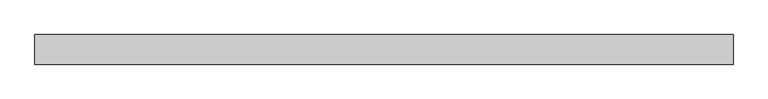
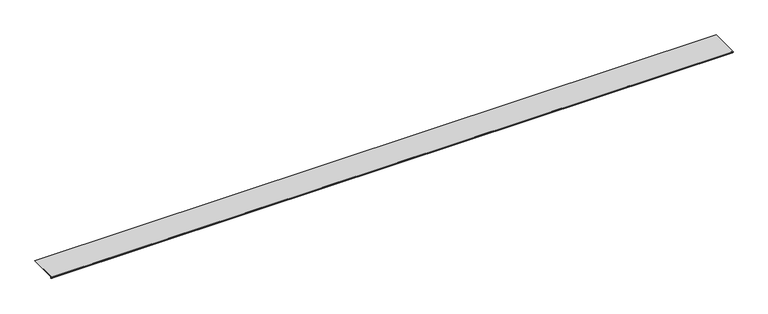
"""IFC4 building model written with IfcOpenShell, lengths in millimetres: proxy geometry."""

from ifc_helpers import new_model, si_unit, point, frame, frame_2d, origin, place, context, project, spatial, polyline, circle_curve, trimmed, segment, composite_curve, outline, extrude, source, transform, mapped, element, save


def generic_models_9c02dd92(model_context):
    return source(origin(), model_context, "Body", "SweptSolid", [
        extrude(outline(composite_curve([segment(polyline([(148.835, 13.2537076), (148.835, 11.6837076), (2.2248214, 11.6837076)]), True, "CONTINUOUS"), segment(trimmed(circle_curve(frame_2d((2.2248214, 11.0887076)), 0.595), [point((2.2248214, 11.6837076))], [point((2.2248214, 10.4937076))], True, "CARTESIAN"), True, "CONTINUOUS"), segment(polyline([(2.2248214, 10.4937076), (3.6558496, 10.4937076), (4.9451168, 9.4970429), (6.3249897, 9.4327708)]), True, "CONTINUOUS"), segment(trimmed(circle_curve(frame_2d((6.2187315, 7.151486)), 2.2837581), [point((6.3249897, 9.4327708))], [point((6.2187315, 4.8677279))], False, "CARTESIAN"), True, "CONTINUOUS"), segment(polyline([(6.2187315, 4.8677279), (2.2864187, 4.8677279)]), True, "CONTINUOUS"), segment(trimmed(circle_curve(frame_2d((2.2864187, 5.5318063)), 0.6640784), [point((2.2864187, 4.8677279))], [point((2.2365622, 6.1940104))], False, "CARTESIAN"), True, "CONTINUOUS"), segment(polyline([(2.2365622, 6.1940104), (4.5052255, 6.3177279), (6.0737133, 6.3177279)]), True, "CONTINUOUS"), segment(trimmed(circle_curve(frame_2d((6.0737133, 7.2927279)), 0.975), [point((6.0737133, 6.3177279))], [point((6.0737133, 8.2677279))], True, "CARTESIAN"), True, "CONTINUOUS"), segment(polyline([(6.0737133, 8.2677279), (4.8744927, 8.2677279), (3.9294566, 8.3107178)]), True, "CONTINUOUS"), segment(trimmed(circle_curve(frame_2d((2.4844378, 6.6596487)), 2.1941076), [point((3.9294566, 8.3107178))], [point((1.090066, 8.3537076))], True, "CARTESIAN"), True, "CONTINUOUS"), segment(polyline([(1.090066, 8.3537076), (0.0792777, 8.3537076), (-0.0001544, 13.2537076), (148.835, 13.2537076)]), True, "CONTINUOUS")], self_intersect=False)), frame((0.0, 0.0, 0.0), z_axis=(1.0, 0.0, 0.0), x_axis=(0.0, 1.0, 0.0)), (0.0, 0.0, 1.0), 3505.2),
    ])


if __name__ == "__main__":
    model = new_model("IFC4")
    model_context = context("Model", 3, world=origin())
    ifc_project = project(units=[si_unit("LENGTHUNIT", "METRE", prefix="MILLI")], contexts=[model_context])
    site = spatial("IfcSite", under=ifc_project)
    building = spatial("IfcBuilding", under=site)
    placement = place(None, origin())
    generic_models_shape = generic_models_9c02dd92(model_context)
    element("IfcBuildingElementProxy", 1, Name="Generic Models", at=placement, inside=building, context=model_context, shape_type="MappedRepresentation", body=[
        mapped(generic_models_shape, transform((0.0, 0.0, 0.0), x_axis=(1.0, 0.0, 0.0), y_axis=(0.0, 1.0, 0.0), z_axis=(0.0, 0.0, 1.0))),
    ])
    save(model, "model.ifc")
